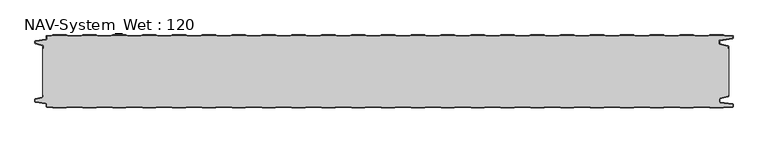
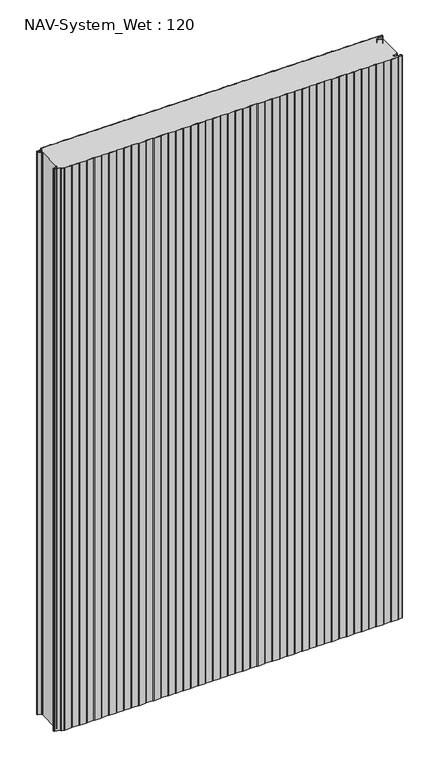
"""IFC4 building model written with IfcOpenShell, lengths in millimetres: plate geometry, NAV-System_Wet : 120."""

from ifc_helpers import new_model, si_unit, point, frame_2d, origin, origin_with_axes, place, context, project, spatial, polyline, circle_curve, trimmed, segment, composite_curve, outline, extrude, source, transform, mapped, element, save


def nav_system_wet_120_9863c921(model_context):
    return source(origin(), model_context, "Body", "SweptSolid", [
        extrude(outline(composite_curve([segment(polyline([(430.3684327, -0.8), (427.3684327, 0.2), (405.3684327, 0.2), (402.3684327, -0.8), (380.3684327, -0.8), (377.3684327, 0.2), (355.3684327, 0.2), (352.3684327, -0.8), (330.3684327, -0.8), (327.3684327, 0.2), (305.3684327, 0.2), (302.3684327, -0.8), (280.3684327, -0.8), (277.3684327, 0.2), (255.3684327, 0.2), (252.3684327, -0.8), (230.3684327, -0.8), (227.3684327, 0.2), (205.3684327, 0.2), (202.3684327, -0.8), (180.3684327, -0.8), (177.3684327, 0.2), (155.3684327, 0.2), (152.3684327, -0.8), (130.3684327, -0.8), (127.3684327, 0.2), (105.3684327, 0.2), (102.3684327, -0.8), (80.3684327, -0.8), (77.3684327, 0.2), (55.3684327, 0.2), (52.3684327, -0.8), (30.3684327, -0.8), (27.3684327, 0.2), (5.3684327, 0.2), (2.3684327, -0.8), (-19.6315673, -0.8), (-22.6315673, 0.2), (-44.6315673, 0.2), (-47.6315673, -0.8), (-69.6315673, -0.8), (-72.6315673, 0.2), (-94.6315673, 0.2), (-97.6315673, -0.8), (-119.6315673, -0.8), (-122.6315673, 0.2), (-144.6315673, 0.2), (-147.6315673, -0.8), (-169.6315673, -0.8), (-172.6315673, 0.2), (-194.6315673, 0.2), (-197.6315673, -0.8), (-219.6315673, -0.8), (-222.6315673, 0.2), (-244.6315673, 0.2), (-247.6315673, -0.8), (-269.6315673, -0.8), (-272.6315673, 0.2), (-294.6315673, 0.2), (-297.6315673, -0.8), (-319.6315673, -0.8), (-322.6315673, 0.2), (-344.6315673, 0.2), (-347.6315673, -0.8), (-369.6315673, -0.8), (-372.6315673, 0.2), (-394.6315673, 0.2), (-397.6315673, -0.8), (-419.6315673, -0.8), (-422.6315673, 0.2), (-444.6315673, 0.2), (-447.6315673, -0.8), (-469.6315673, -0.8), (-472.6315673, 0.2), (-494.6315673, 0.2), (-497.6315673, -0.8), (-519.6315673, -0.8), (-522.6315673, 0.2), (-544.6315673, 0.2), (-547.6315673, -0.8), (-554.7, -0.8)]), True, "CONTINUOUS"), segment(trimmed(circle_curve(frame_2d((-554.7, -1.3)), 0.5), [point((-554.7, -0.8))], [point((-555.2, -1.3))], True, "CARTESIAN"), True, "CONTINUOUS"), segment(polyline([(-555.2, -1.3), (-555.2, -5.3964683)]), True, "CONTINUOUS"), segment(trimmed(circle_curve(frame_2d((-556.7, -5.3964683)), 1.5), [point((-555.2, -5.3964683))], [point((-556.4911207, -6.8818536))], False, "CARTESIAN"), True, "CONTINUOUS"), segment(polyline([(-556.4911207, -6.8818536), (-573.4352183, -9.2645825)]), True, "CONTINUOUS"), segment(trimmed(circle_curve(frame_2d((-573.3114909, -10.1444347)), 0.8885091), [point((-573.4352183, -9.2645825))], [point((-574.2, -10.1444347))], True, "CARTESIAN"), True, "CONTINUOUS"), segment(polyline([(-574.2, -10.1444347), (-574.2, -12.46995)]), True, "CONTINUOUS"), segment(trimmed(circle_curve(frame_2d((-573.6, -12.46995)), 0.6), [point((-574.2, -12.46995))], [point((-573.7552914, -13.0495055))], True, "CARTESIAN"), True, "CONTINUOUS"), segment(polyline([(-573.7552914, -13.0495055), (-562.3785632, -16.0978907)]), True, "CONTINUOUS"), segment(trimmed(circle_curve(frame_2d((-562.7667917, -17.5467794)), 1.5), [point((-562.3785632, -16.0978907))], [point((-561.2667917, -17.5467794))], False, "CARTESIAN"), True, "CONTINUOUS"), segment(polyline([(-561.2667917, -17.5467794), (-561.2667917, -21.0096505), (-562.0667917, -21.0096505), (-562.0667917, -17.5467794)]), True, "CONTINUOUS"), segment(trimmed(circle_curve(frame_2d((-562.7667917, -17.5467794)), 0.7), [point((-562.0667917, -17.5467794))], [point((-562.5856184, -16.8706313))], True, "CARTESIAN"), True, "CONTINUOUS"), segment(polyline([(-562.5856184, -16.8706313), (-574.0364648, -13.8023863)]), True, "CONTINUOUS"), segment(trimmed(circle_curve(frame_2d((-573.7, -12.5466827)), 1.3), [point((-574.0364648, -13.8023863))], [point((-575.0, -12.5466827))], False, "CARTESIAN"), True, "CONTINUOUS"), segment(polyline([(-575.0, -12.5466827), (-575.0, -9.8067363)]), True, "CONTINUOUS"), segment(trimmed(circle_curve(frame_2d((-573.7, -9.8067363)), 1.3), [point((-575.0, -9.8067363))], [point((-573.8810287, -8.5194024))], False, "CARTESIAN"), True, "CONTINUOUS"), segment(polyline([(-573.8810287, -8.5194024), (-556.602523, -6.0896481)]), True, "CONTINUOUS"), segment(trimmed(circle_curve(frame_2d((-556.7, -5.3964683)), 0.7), [point((-556.602523, -6.0896481))], [point((-556.0, -5.3964683))], True, "CARTESIAN"), True, "CONTINUOUS"), segment(polyline([(-556.0, -5.3964683), (-556.0, -1.3)]), True, "CONTINUOUS"), segment(trimmed(circle_curve(frame_2d((-554.7, -1.3)), 1.3), [point((-556.0, -1.3))], [point((-554.7, 0.0))], False, "CARTESIAN"), True, "CONTINUOUS"), segment(polyline([(-554.7, 0.0), (-547.7613895, 0.0), (-544.7613895, 1.0), (-522.5017452, 1.0), (-519.5017452, 0.0), (-497.7613895, 0.0), (-494.7613895, 1.0), (-472.5017452, 1.0), (-469.5017452, 0.0), (-447.7613895, 0.0), (-444.7613895, 1.0), (-422.5017452, 1.0), (-419.5017452, 0.0), (-397.7613895, 0.0), (-394.7613895, 1.0), (-372.5017452, 1.0), (-369.5017452, 0.0), (-347.7613895, 0.0), (-344.7613895, 1.0), (-322.5017452, 1.0), (-319.5017452, 0.0), (-297.7613895, 0.0), (-294.7613895, 1.0), (-272.5017452, 1.0), (-269.5017452, 0.0), (-247.7613895, 0.0), (-244.7613895, 1.0), (-222.5017452, 1.0), (-219.5017452, 0.0), (-197.7613895, 0.0), (-194.7613895, 1.0), (-172.5017452, 1.0), (-169.5017452, 0.0), (-147.7613895, 0.0), (-144.7613895, 1.0), (-122.5017452, 1.0), (-119.5017452, 0.0), (-97.7613895, 0.0), (-94.7613895, 1.0), (-72.5017452, 1.0), (-69.5017452, 0.0), (-47.7613895, 0.0), (-44.7613895, 1.0), (-22.5017452, 1.0), (-19.5017452, 0.0), (2.2386105, 0.0), (5.2386105, 1.0), (27.4982548, 1.0), (30.4982548, 0.0), (52.2386105, 0.0), (55.2386105, 1.0), (77.4982548, 1.0), (80.4982548, 0.0), (102.2386105, 0.0), (105.2386105, 1.0), (127.4982548, 1.0), (130.4982548, 0.0), (152.2386105, 0.0), (155.2386105, 1.0), (177.4982548, 1.0), (180.4982548, 0.0), (202.2386105, 0.0), (205.2386105, 1.0), (227.4982548, 1.0), (230.4982548, 0.0), (252.2386105, 0.0), (255.2386105, 1.0), (277.4982548, 1.0), (280.4982548, 0.0), (302.2386105, 0.0), (305.2386105, 1.0), (327.4982548, 1.0), (330.4982548, 0.0), (352.2386105, 0.0), (355.2386105, 1.0), (377.4982548, 1.0), (380.4982548, 0.0), (402.2386105, 0.0), (405.2386105, 1.0), (427.4982548, 1.0), (430.4982548, 0.0), (452.2386105, 0.0), (455.2386105, 1.0), (477.4982548, 1.0), (480.4982548, 0.0), (502.2386105, 0.0), (505.2386105, 1.0), (527.4982548, 1.0), (530.4982548, 0.0), (552.2386105, 0.0), (555.2386105, 1.0), (577.4982548, 1.0), (580.4982548, 0.0), (592.7, 0.0)]), True, "CONTINUOUS"), segment(trimmed(circle_curve(frame_2d((592.7, -1.3)), 1.3), [point((592.7, 0.0))], [point((594.0, -1.3))], False, "CARTESIAN"), True, "CONTINUOUS"), segment(polyline([(594.0, -1.3), (594.0, -4.3700191)]), True, "CONTINUOUS"), segment(trimmed(circle_curve(frame_2d((592.7, -4.3700191)), 1.3), [point((594.0, -4.3700191))], [point((592.8810287, -5.657353))], False, "CARTESIAN"), True, "CONTINUOUS"), segment(polyline([(592.8810287, -5.657353), (572.102523, -8.5792877)]), True, "CONTINUOUS"), segment(trimmed(circle_curve(frame_2d((572.2, -9.2724675)), 0.7), [point((572.102523, -8.5792877))], [point((571.5, -9.2724675))], True, "CARTESIAN"), True, "CONTINUOUS"), segment(polyline([(571.5, -9.2724675), (571.5, -13.0812756)]), True, "CONTINUOUS"), segment(trimmed(circle_curve(frame_2d((572.2, -13.0812756)), 0.7), [point((571.5, -13.0812756))], [point((572.0188267, -13.7574237))], True, "CARTESIAN"), True, "CONTINUOUS"), segment(polyline([(572.0188267, -13.7574237), (585.4205101, -17.3483939)]), True, "CONTINUOUS"), segment(trimmed(circle_curve(frame_2d((585.0840453, -18.6040975)), 1.3), [point((585.4205101, -17.3483939))], [point((586.3840453, -18.6040975))], False, "CARTESIAN"), True, "CONTINUOUS"), segment(polyline([(586.3840453, -18.6040975), (586.3840453, -21.0096505), (585.5840453, -21.0096505), (585.5840453, -18.6808302)]), True, "CONTINUOUS"), segment(trimmed(circle_curve(frame_2d((584.9840453, -18.6808302)), 0.6), [point((585.5840453, -18.6808302))], [point((585.1393367, -18.1012747))], True, "CARTESIAN"), True, "CONTINUOUS"), segment(polyline([(585.1393367, -18.1012747), (571.8117714, -14.5301644)]), True, "CONTINUOUS"), segment(trimmed(circle_curve(frame_2d((572.2, -13.0812756)), 1.5), [point((571.8117714, -14.5301644))], [point((570.7, -13.0812756))], False, "CARTESIAN"), True, "CONTINUOUS"), segment(polyline([(570.7, -13.0812756), (570.7, -9.2724675)]), True, "CONTINUOUS"), segment(trimmed(circle_curve(frame_2d((572.2, -9.2724675)), 1.5), [point((570.7, -9.2724675))], [point((571.9911207, -7.7870822))], False, "CARTESIAN"), True, "CONTINUOUS"), segment(polyline([(571.9911207, -7.7870822), (592.6835517, -4.8772516)]), True, "CONTINUOUS"), segment(trimmed(circle_curve(frame_2d((592.6, -4.2830975)), 0.6), [point((592.6835517, -4.8772516))], [point((593.2, -4.2830975))], True, "CARTESIAN"), True, "CONTINUOUS"), segment(polyline([(593.2, -4.2830975), (593.2, -1.3)]), True, "CONTINUOUS"), segment(trimmed(circle_curve(frame_2d((592.7, -1.3)), 0.5), [point((593.2, -1.3))], [point((592.7, -0.8))], True, "CARTESIAN"), True, "CONTINUOUS"), segment(polyline([(592.7, -0.8), (580.3684327, -0.8), (577.3684327, 0.2), (555.3684327, 0.2), (552.3684327, -0.8), (530.3684327, -0.8), (527.3684327, 0.2), (505.3684327, 0.2), (502.3684327, -0.8), (480.3684327, -0.8), (477.3684327, 0.2), (455.3684327, 0.2), (452.3684327, -0.8), (430.3684327, -0.8)]), True, "CONTINUOUS")], self_intersect=False)), origin_with_axes(), (0.0, 0.0, 1.0), 2000.0),
        extrude(outline(composite_curve([segment(polyline([(430.3684327, -0.8), (452.3684327, -0.8), (455.3684327, 0.2), (477.3684327, 0.2), (480.3684327, -0.8), (502.3684327, -0.8), (505.3684327, 0.2), (527.3684327, 0.2), (530.3684327, -0.8), (552.3684327, -0.8), (555.3684327, 0.2), (577.3684327, 0.2), (580.3684327, -0.8), (592.7, -0.8)]), True, "CONTINUOUS"), segment(trimmed(circle_curve(frame_2d((592.7, -1.3)), 0.5), [point((592.7, -0.8))], [point((593.2, -1.3))], False, "CARTESIAN"), True, "CONTINUOUS"), segment(polyline([(593.2, -1.3), (593.2, -4.2830975)]), True, "CONTINUOUS"), segment(trimmed(circle_curve(frame_2d((592.6, -4.2830975)), 0.6), [point((593.2, -4.2830975))], [point((592.6835517, -4.8772516))], False, "CARTESIAN"), True, "CONTINUOUS"), segment(polyline([(592.6835517, -4.8772516), (571.9911207, -7.7870822)]), True, "CONTINUOUS"), segment(trimmed(circle_curve(frame_2d((572.2, -9.2724675)), 1.5), [point((571.9911207, -7.7870822))], [point((570.7, -9.2724675))], True, "CARTESIAN"), True, "CONTINUOUS"), segment(polyline([(570.7, -9.2724675), (570.7, -13.0812756)]), True, "CONTINUOUS"), segment(trimmed(circle_curve(frame_2d((572.2, -13.0812756)), 1.5), [point((570.7, -13.0812756))], [point((571.8117714, -14.5301644))], True, "CARTESIAN"), True, "CONTINUOUS"), segment(polyline([(571.8117714, -14.5301644), (585.1393367, -18.1012747)]), True, "CONTINUOUS"), segment(trimmed(circle_curve(frame_2d((584.9840453, -18.6808302)), 0.6), [point((585.1393367, -18.1012747))], [point((585.5840453, -18.6808302))], False, "CARTESIAN"), True, "CONTINUOUS"), segment(polyline([(585.5840453, -18.6808302), (585.5840453, -21.0096505), (586.3840453, -21.0096505), (586.3840453, -98.9903495), (585.5840453, -98.9903495), (585.5840453, -101.3191698)]), True, "CONTINUOUS"), segment(trimmed(circle_curve(frame_2d((584.9840453, -101.3191698)), 0.6), [point((585.5840453, -101.3191698))], [point((585.1393367, -101.8987253))], False, "CARTESIAN"), True, "CONTINUOUS"), segment(polyline([(585.1393367, -101.8987253), (571.8117714, -105.4698356)]), True, "CONTINUOUS"), segment(trimmed(circle_curve(frame_2d((572.2, -106.9187244)), 1.5), [point((571.8117714, -105.4698356))], [point((570.7, -106.9187244))], True, "CARTESIAN"), True, "CONTINUOUS"), segment(polyline([(570.7, -106.9187244), (570.7, -110.7275325)]), True, "CONTINUOUS"), segment(trimmed(circle_curve(frame_2d((572.2, -110.7275325)), 1.5), [point((570.7, -110.7275325))], [point((571.9911207, -112.2129178))], True, "CARTESIAN"), True, "CONTINUOUS"), segment(polyline([(571.9911207, -112.2129178), (592.6835517, -115.1227484)]), True, "CONTINUOUS"), segment(trimmed(circle_curve(frame_2d((592.6, -115.7169025)), 0.6), [point((592.6835517, -115.1227484))], [point((593.2, -115.7169025))], False, "CARTESIAN"), True, "CONTINUOUS"), segment(polyline([(593.2, -115.7169025), (593.2, -118.7)]), True, "CONTINUOUS"), segment(trimmed(circle_curve(frame_2d((592.7, -118.7)), 0.5), [point((593.2, -118.7))], [point((592.7, -119.2))], False, "CARTESIAN"), True, "CONTINUOUS"), segment(polyline([(592.7, -119.2), (580.3684327, -119.2), (577.3684327, -120.2), (555.3684327, -120.2), (552.3684327, -119.2), (530.3684327, -119.2), (527.3684327, -120.2), (505.3684327, -120.2), (502.3684327, -119.2), (480.3684327, -119.2), (477.3684327, -120.2), (455.3684327, -120.2), (452.3684327, -119.2), (430.3684327, -119.2), (427.3684327, -120.2), (405.3684327, -120.2), (402.3684327, -119.2), (380.3684327, -119.2), (377.3684327, -120.2), (355.3684327, -120.2), (352.3684327, -119.2), (330.3684327, -119.2), (327.3684327, -120.2), (305.3684327, -120.2), (302.3684327, -119.2), (280.3684327, -119.2), (277.3684327, -120.2), (255.3684327, -120.2), (252.3684327, -119.2), (230.3684327, -119.2), (227.3684327, -120.2), (205.3684327, -120.2), (202.3684327, -119.2), (180.3684327, -119.2), (177.3684327, -120.2), (155.3684327, -120.2), (152.3684327, -119.2), (130.3684327, -119.2), (127.3684327, -120.2), (105.3684327, -120.2), (102.3684327, -119.2), (80.3684327, -119.2), (77.3684327, -120.2), (55.3684327, -120.2), (52.3684327, -119.2), (30.3684327, -119.2), (27.3684327, -120.2), (5.3684327, -120.2), (2.3684327, -119.2), (-19.6315673, -119.2), (-22.6315673, -120.2), (-44.6315673, -120.2), (-47.6315673, -119.2), (-69.6315673, -119.2), (-72.6315673, -120.2), (-94.6315673, -120.2), (-97.6315673, -119.2), (-119.6315673, -119.2), (-122.6315673, -120.2), (-144.6315673, -120.2), (-147.6315673, -119.2), (-169.6315673, -119.2), (-172.6315673, -120.2), (-194.6315673, -120.2), (-197.6315673, -119.2), (-219.6315673, -119.2), (-222.6315673, -120.2), (-244.6315673, -120.2), (-247.6315673, -119.2), (-269.6315673, -119.2), (-272.6315673, -120.2), (-294.6315673, -120.2), (-297.6315673, -119.2), (-319.6315673, -119.2), (-322.6315673, -120.2), (-344.6315673, -120.2), (-347.6315673, -119.2), (-369.6315673, -119.2), (-372.6315673, -120.2), (-394.6315673, -120.2), (-397.6315673, -119.2), (-419.6315673, -119.2), (-422.6315673, -120.2), (-444.6315673, -120.2), (-447.6315673, -119.2), (-469.6315673, -119.2), (-472.6315673, -120.2), (-494.6315673, -120.2), (-497.6315673, -119.2), (-519.6315673, -119.2), (-522.6315673, -120.2), (-544.6315673, -120.2), (-547.6315673, -119.2), (-554.7, -119.2)]), True, "CONTINUOUS"), segment(trimmed(circle_curve(frame_2d((-554.7, -118.7)), 0.5), [point((-554.7, -119.2))], [point((-555.2, -118.7))], False, "CARTESIAN"), True, "CONTINUOUS"), segment(polyline([(-555.2, -118.7), (-555.2, -114.6035317)]), True, "CONTINUOUS"), segment(trimmed(circle_curve(frame_2d((-556.7, -114.6035317)), 1.5), [point((-555.2, -114.6035317))], [point((-556.4911207, -113.1181464))], True, "CARTESIAN"), True, "CONTINUOUS"), segment(polyline([(-556.4911207, -113.1181464), (-573.4352183, -110.7354175)]), True, "CONTINUOUS"), segment(trimmed(circle_curve(frame_2d((-573.3114909, -109.8555653)), 0.8885091), [point((-573.4352183, -110.7354175))], [point((-574.2, -109.8555653))], False, "CARTESIAN"), True, "CONTINUOUS"), segment(polyline([(-574.2, -109.8555653), (-574.2, -107.53005)]), True, "CONTINUOUS"), segment(trimmed(circle_curve(frame_2d((-573.6, -107.53005)), 0.6), [point((-574.2, -107.53005))], [point((-573.7552914, -106.9504945))], False, "CARTESIAN"), True, "CONTINUOUS"), segment(polyline([(-573.7552914, -106.9504945), (-562.3785632, -103.9021093)]), True, "CONTINUOUS"), segment(trimmed(circle_curve(frame_2d((-562.7667917, -102.4532206)), 1.5), [point((-562.3785632, -103.9021093))], [point((-561.2667917, -102.4532206))], True, "CARTESIAN"), True, "CONTINUOUS"), segment(polyline([(-561.2667917, -102.4532206), (-561.2667917, -98.9903495), (-562.0667917, -98.9903495), (-562.0667917, -21.0096505), (-561.2667917, -21.0096505), (-561.2667917, -17.5467794)]), True, "CONTINUOUS"), segment(trimmed(circle_curve(frame_2d((-562.7667917, -17.5467794)), 1.5), [point((-561.2667917, -17.5467794))], [point((-562.3785632, -16.0978907))], True, "CARTESIAN"), True, "CONTINUOUS"), segment(polyline([(-562.3785632, -16.0978907), (-573.7552914, -13.0495055)]), True, "CONTINUOUS"), segment(trimmed(circle_curve(frame_2d((-573.6, -12.46995)), 0.6), [point((-573.7552914, -13.0495055))], [point((-574.2, -12.46995))], False, "CARTESIAN"), True, "CONTINUOUS"), segment(polyline([(-574.2, -12.46995), (-574.2, -10.1444347)]), True, "CONTINUOUS"), segment(trimmed(circle_curve(frame_2d((-573.3114909, -10.1444347)), 0.8885091), [point((-574.2, -10.1444347))], [point((-573.4352183, -9.2645825))], False, "CARTESIAN"), True, "CONTINUOUS"), segment(polyline([(-573.4352183, -9.2645825), (-556.4911207, -6.8818536)]), True, "CONTINUOUS"), segment(trimmed(circle_curve(frame_2d((-556.7, -5.3964683)), 1.5), [point((-556.4911207, -6.8818536))], [point((-555.2, -5.3964683))], True, "CARTESIAN"), True, "CONTINUOUS"), segment(polyline([(-555.2, -5.3964683), (-555.2, -1.3)]), True, "CONTINUOUS"), segment(trimmed(circle_curve(frame_2d((-554.7, -1.3)), 0.5), [point((-555.2, -1.3))], [point((-554.7, -0.8))], False, "CARTESIAN"), True, "CONTINUOUS"), segment(polyline([(-554.7, -0.8), (-547.6315673, -0.8), (-544.6315673, 0.2), (-522.6315673, 0.2), (-519.6315673, -0.8), (-497.6315673, -0.8), (-494.6315673, 0.2), (-472.6315673, 0.2), (-469.6315673, -0.8), (-447.6315673, -0.8), (-444.6315673, 0.2), (-422.6315673, 0.2), (-419.6315673, -0.8), (-397.6315673, -0.8), (-394.6315673, 0.2), (-372.6315673, 0.2), (-369.6315673, -0.8), (-347.6315673, -0.8), (-344.6315673, 0.2), (-322.6315673, 0.2), (-319.6315673, -0.8), (-297.6315673, -0.8), (-294.6315673, 0.2), (-272.6315673, 0.2), (-269.6315673, -0.8), (-247.6315673, -0.8), (-244.6315673, 0.2), (-222.6315673, 0.2), (-219.6315673, -0.8), (-197.6315673, -0.8), (-194.6315673, 0.2), (-172.6315673, 0.2), (-169.6315673, -0.8), (-147.6315673, -0.8), (-144.6315673, 0.2), (-122.6315673, 0.2), (-119.6315673, -0.8), (-97.6315673, -0.8), (-94.6315673, 0.2), (-72.6315673, 0.2), (-69.6315673, -0.8), (-47.6315673, -0.8), (-44.6315673, 0.2), (-22.6315673, 0.2), (-19.6315673, -0.8), (2.3684327, -0.8), (5.3684327, 0.2), (27.3684327, 0.2), (30.3684327, -0.8), (52.3684327, -0.8), (55.3684327, 0.2), (77.3684327, 0.2), (80.3684327, -0.8), (102.3684327, -0.8), (105.3684327, 0.2), (127.3684327, 0.2), (130.3684327, -0.8), (152.3684327, -0.8), (155.3684327, 0.2), (177.3684327, 0.2), (180.3684327, -0.8), (202.3684327, -0.8), (205.3684327, 0.2), (227.3684327, 0.2), (230.3684327, -0.8), (252.3684327, -0.8), (255.3684327, 0.2), (277.3684327, 0.2), (280.3684327, -0.8), (302.3684327, -0.8), (305.3684327, 0.2), (327.3684327, 0.2), (330.3684327, -0.8), (352.3684327, -0.8), (355.3684327, 0.2), (377.3684327, 0.2), (380.3684327, -0.8), (402.3684327, -0.8), (405.3684327, 0.2), (427.3684327, 0.2), (430.3684327, -0.8)]), True, "CONTINUOUS")], self_intersect=False)), origin_with_axes(), (0.0, 0.0, 1.0), 2000.0),
        extrude(outline(composite_curve([segment(polyline([(430.3684327, -119.2), (452.3684327, -119.2), (455.3684327, -120.2), (477.3684327, -120.2), (480.3684327, -119.2), (502.3684327, -119.2), (505.3684327, -120.2), (527.3684327, -120.2), (530.3684327, -119.2), (552.3684327, -119.2), (555.3684327, -120.2), (577.3684327, -120.2), (580.3684327, -119.2), (592.7, -119.2)]), True, "CONTINUOUS"), segment(trimmed(circle_curve(frame_2d((592.7, -118.7)), 0.5), [point((592.7, -119.2))], [point((593.2, -118.7))], True, "CARTESIAN"), True, "CONTINUOUS"), segment(polyline([(593.2, -118.7), (593.2, -115.7169025)]), True, "CONTINUOUS"), segment(trimmed(circle_curve(frame_2d((592.6, -115.7169025)), 0.6), [point((593.2, -115.7169025))], [point((592.6835517, -115.1227484))], True, "CARTESIAN"), True, "CONTINUOUS"), segment(polyline([(592.6835517, -115.1227484), (571.9911207, -112.2129178)]), True, "CONTINUOUS"), segment(trimmed(circle_curve(frame_2d((572.2, -110.7275325)), 1.5), [point((571.9911207, -112.2129178))], [point((570.7, -110.7275325))], False, "CARTESIAN"), True, "CONTINUOUS"), segment(polyline([(570.7, -110.7275325), (570.7, -106.9187244)]), True, "CONTINUOUS"), segment(trimmed(circle_curve(frame_2d((572.2, -106.9187244)), 1.5), [point((570.7, -106.9187244))], [point((571.8117714, -105.4698356))], False, "CARTESIAN"), True, "CONTINUOUS"), segment(polyline([(571.8117714, -105.4698356), (585.1393367, -101.8987253)]), True, "CONTINUOUS"), segment(trimmed(circle_curve(frame_2d((584.9840453, -101.3191698)), 0.6), [point((585.1393367, -101.8987253))], [point((585.5840453, -101.3191698))], True, "CARTESIAN"), True, "CONTINUOUS"), segment(polyline([(585.5840453, -101.3191698), (585.5840453, -98.9903495), (586.3840453, -98.9903495), (586.3840453, -101.3959025)]), True, "CONTINUOUS"), segment(trimmed(circle_curve(frame_2d((585.0840453, -101.3959025)), 1.3), [point((586.3840453, -101.3959025))], [point((585.4205101, -102.6516061))], False, "CARTESIAN"), True, "CONTINUOUS"), segment(polyline([(585.4205101, -102.6516061), (572.0188267, -106.2425763)]), True, "CONTINUOUS"), segment(trimmed(circle_curve(frame_2d((572.2, -106.9187244)), 0.7), [point((572.0188267, -106.2425763))], [point((571.5, -106.9187244))], True, "CARTESIAN"), True, "CONTINUOUS"), segment(polyline([(571.5, -106.9187244), (571.5, -110.7275325)]), True, "CONTINUOUS"), segment(trimmed(circle_curve(frame_2d((572.2, -110.7275325)), 0.7), [point((571.5, -110.7275325))], [point((572.102523, -111.4207123))], True, "CARTESIAN"), True, "CONTINUOUS"), segment(polyline([(572.102523, -111.4207123), (592.8810287, -114.342647)]), True, "CONTINUOUS"), segment(trimmed(circle_curve(frame_2d((592.7, -115.6299809)), 1.3), [point((592.8810287, -114.342647))], [point((594.0, -115.6299809))], False, "CARTESIAN"), True, "CONTINUOUS"), segment(polyline([(594.0, -115.6299809), (594.0, -118.7)]), True, "CONTINUOUS"), segment(trimmed(circle_curve(frame_2d((592.7, -118.7)), 1.3), [point((594.0, -118.7))], [point((592.7, -120.0))], False, "CARTESIAN"), True, "CONTINUOUS"), segment(polyline([(592.7, -120.0), (580.4982548, -120.0), (577.4982548, -121.0), (555.2386105, -121.0), (552.2386105, -120.0), (530.4982548, -120.0), (527.4982548, -121.0), (505.2386105, -121.0), (502.2386105, -120.0), (480.4982548, -120.0), (477.4982548, -121.0), (455.2386105, -121.0), (452.2386105, -120.0), (430.4982548, -120.0), (427.4982548, -121.0), (405.2386105, -121.0), (402.2386105, -120.0), (380.4982548, -120.0), (377.4982548, -121.0), (355.2386105, -121.0), (352.2386105, -120.0), (330.4982548, -120.0), (327.4982548, -121.0), (305.2386105, -121.0), (302.2386105, -120.0), (280.4982548, -120.0), (277.4982548, -121.0), (255.2386105, -121.0), (252.2386105, -120.0), (230.4982548, -120.0), (227.4982548, -121.0), (205.2386105, -121.0), (202.2386105, -120.0), (180.4982548, -120.0), (177.4982548, -121.0), (155.2386105, -121.0), (152.2386105, -120.0), (130.4982548, -120.0), (127.4982548, -121.0), (105.2386105, -121.0), (102.2386105, -120.0), (80.4982548, -120.0), (77.4982548, -121.0), (55.2386105, -121.0), (52.2386105, -120.0), (30.4982548, -120.0), (27.4982548, -121.0), (5.2386105, -121.0), (2.2386105, -120.0), (-19.5017452, -120.0), (-22.5017452, -121.0), (-44.7613895, -121.0), (-47.7613895, -120.0), (-69.5017452, -120.0), (-72.5017452, -121.0), (-94.7613895, -121.0), (-97.7613895, -120.0), (-119.5017452, -120.0), (-122.5017452, -121.0), (-144.7613895, -121.0), (-147.7613895, -120.0), (-169.5017452, -120.0), (-172.5017452, -121.0), (-194.7613895, -121.0), (-197.7613895, -120.0), (-219.5017452, -120.0), (-222.5017452, -121.0), (-244.7613895, -121.0), (-247.7613895, -120.0), (-269.5017452, -120.0), (-272.5017452, -121.0), (-294.7613895, -121.0), (-297.7613895, -120.0), (-319.5017452, -120.0), (-322.5017452, -121.0), (-344.7613895, -121.0), (-347.7613895, -120.0), (-369.5017452, -120.0), (-372.5017452, -121.0), (-394.7613895, -121.0), (-397.7613895, -120.0), (-419.5017452, -120.0), (-422.5017452, -121.0), (-444.7613895, -121.0), (-447.7613895, -120.0), (-469.5017452, -120.0), (-472.5017452, -121.0), (-494.7613895, -121.0), (-497.7613895, -120.0), (-519.5017452, -120.0), (-522.5017452, -121.0), (-544.7613895, -121.0), (-547.7613895, -120.0), (-554.7, -120.0)]), True, "CONTINUOUS"), segment(trimmed(circle_curve(frame_2d((-554.7, -118.7)), 1.3), [point((-554.7, -120.0))], [point((-556.0, -118.7))], False, "CARTESIAN"), True, "CONTINUOUS"), segment(polyline([(-556.0, -118.7), (-556.0, -114.6035317)]), True, "CONTINUOUS"), segment(trimmed(circle_curve(frame_2d((-556.7, -114.6035317)), 0.7), [point((-556.0, -114.6035317))], [point((-556.602523, -113.9103519))], True, "CARTESIAN"), True, "CONTINUOUS"), segment(polyline([(-556.602523, -113.9103519), (-573.8810287, -111.4805976)]), True, "CONTINUOUS"), segment(trimmed(circle_curve(frame_2d((-573.7, -110.1932637)), 1.3), [point((-573.8810287, -111.4805976))], [point((-575.0, -110.1932637))], False, "CARTESIAN"), True, "CONTINUOUS"), segment(polyline([(-575.0, -110.1932637), (-575.0, -107.4533173)]), True, "CONTINUOUS"), segment(trimmed(circle_curve(frame_2d((-573.7, -107.4533173)), 1.3), [point((-575.0, -107.4533173))], [point((-574.0364648, -106.1976137))], False, "CARTESIAN"), True, "CONTINUOUS"), segment(polyline([(-574.0364648, -106.1976137), (-562.5856184, -103.1293687)]), True, "CONTINUOUS"), segment(trimmed(circle_curve(frame_2d((-562.7667917, -102.4532206)), 0.7), [point((-562.5856184, -103.1293687))], [point((-562.0667917, -102.4532206))], True, "CARTESIAN"), True, "CONTINUOUS"), segment(polyline([(-562.0667917, -102.4532206), (-562.0667917, -98.9903495), (-561.2667917, -98.9903495), (-561.2667917, -102.4532206)]), True, "CONTINUOUS"), segment(trimmed(circle_curve(frame_2d((-562.7667917, -102.4532206)), 1.5), [point((-561.2667917, -102.4532206))], [point((-562.3785632, -103.9021093))], False, "CARTESIAN"), True, "CONTINUOUS"), segment(polyline([(-562.3785632, -103.9021093), (-573.7552914, -106.9504945)]), True, "CONTINUOUS"), segment(trimmed(circle_curve(frame_2d((-573.6, -107.53005)), 0.6), [point((-573.7552914, -106.9504945))], [point((-574.2, -107.53005))], True, "CARTESIAN"), True, "CONTINUOUS"), segment(polyline([(-574.2, -107.53005), (-574.2, -109.8555653)]), True, "CONTINUOUS"), segment(trimmed(circle_curve(frame_2d((-573.3114909, -109.8555653)), 0.8885091), [point((-574.2, -109.8555653))], [point((-573.4352183, -110.7354175))], True, "CARTESIAN"), True, "CONTINUOUS"), segment(polyline([(-573.4352183, -110.7354175), (-556.4911207, -113.1181464)]), True, "CONTINUOUS"), segment(trimmed(circle_curve(frame_2d((-556.7, -114.6035317)), 1.5), [point((-556.4911207, -113.1181464))], [point((-555.2, -114.6035317))], False, "CARTESIAN"), True, "CONTINUOUS"), segment(polyline([(-555.2, -114.6035317), (-555.2, -118.7)]), True, "CONTINUOUS"), segment(trimmed(circle_curve(frame_2d((-554.7, -118.7)), 0.5), [point((-555.2, -118.7))], [point((-554.7, -119.2))], True, "CARTESIAN"), True, "CONTINUOUS"), segment(polyline([(-554.7, -119.2), (-547.6315673, -119.2), (-544.6315673, -120.2), (-522.6315673, -120.2), (-519.6315673, -119.2), (-497.6315673, -119.2), (-494.6315673, -120.2), (-472.6315673, -120.2), (-469.6315673, -119.2), (-447.6315673, -119.2), (-444.6315673, -120.2), (-422.6315673, -120.2), (-419.6315673, -119.2), (-397.6315673, -119.2), (-394.6315673, -120.2), (-372.6315673, -120.2), (-369.6315673, -119.2), (-347.6315673, -119.2), (-344.6315673, -120.2), (-322.6315673, -120.2), (-319.6315673, -119.2), (-297.6315673, -119.2), (-294.6315673, -120.2), (-272.6315673, -120.2), (-269.6315673, -119.2), (-247.6315673, -119.2), (-244.6315673, -120.2), (-222.6315673, -120.2), (-219.6315673, -119.2), (-197.6315673, -119.2), (-194.6315673, -120.2), (-172.6315673, -120.2), (-169.6315673, -119.2), (-147.6315673, -119.2), (-144.6315673, -120.2), (-122.6315673, -120.2), (-119.6315673, -119.2), (-97.6315673, -119.2), (-94.6315673, -120.2), (-72.6315673, -120.2), (-69.6315673, -119.2), (-47.6315673, -119.2), (-44.6315673, -120.2), (-22.6315673, -120.2), (-19.6315673, -119.2), (2.3684327, -119.2), (5.3684327, -120.2), (27.3684327, -120.2), (30.3684327, -119.2), (52.3684327, -119.2), (55.3684327, -120.2), (77.3684327, -120.2), (80.3684327, -119.2), (102.3684327, -119.2), (105.3684327, -120.2), (127.3684327, -120.2), (130.3684327, -119.2), (152.3684327, -119.2), (155.3684327, -120.2), (177.3684327, -120.2), (180.3684327, -119.2), (202.3684327, -119.2), (205.3684327, -120.2), (227.3684327, -120.2), (230.3684327, -119.2), (252.3684327, -119.2), (255.3684327, -120.2), (277.3684327, -120.2), (280.3684327, -119.2), (302.3684327, -119.2), (305.3684327, -120.2), (327.3684327, -120.2), (330.3684327, -119.2), (352.3684327, -119.2), (355.3684327, -120.2), (377.3684327, -120.2), (380.3684327, -119.2), (402.3684327, -119.2), (405.3684327, -120.2), (427.3684327, -120.2), (430.3684327, -119.2)]), True, "CONTINUOUS")], self_intersect=False)), origin_with_axes(), (0.0, 0.0, 1.0), 2000.0),
    ])


if __name__ == "__main__":
    model = new_model("IFC4")
    model_context = context("Model", 3, world=origin())
    ifc_project = project(units=[si_unit("LENGTHUNIT", "METRE", prefix="MILLI")], contexts=[model_context])
    site = spatial("IfcSite", under=ifc_project)
    building = spatial("IfcBuilding", under=site)
    placement = place(None, origin())
    nav_system_wet_120_shape = nav_system_wet_120_9863c921(model_context)
    element("IfcPlate", 1, ObjectType="NAV-System_Wet : 120", at=placement, inside=building, context=model_context, shape_type="MappedRepresentation", body=[
        mapped(nav_system_wet_120_shape, transform((0.0, 0.0, 0.0), x_axis=(1.0, 0.0, 0.0), y_axis=(0.0, 1.0, 0.0), z_axis=(0.0, 0.0, 1.0))),
    ])
    save(model, "model.ifc")
